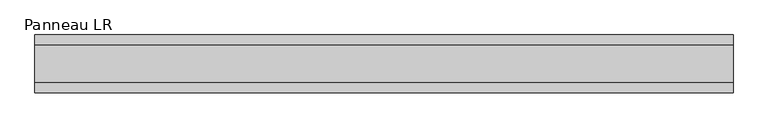
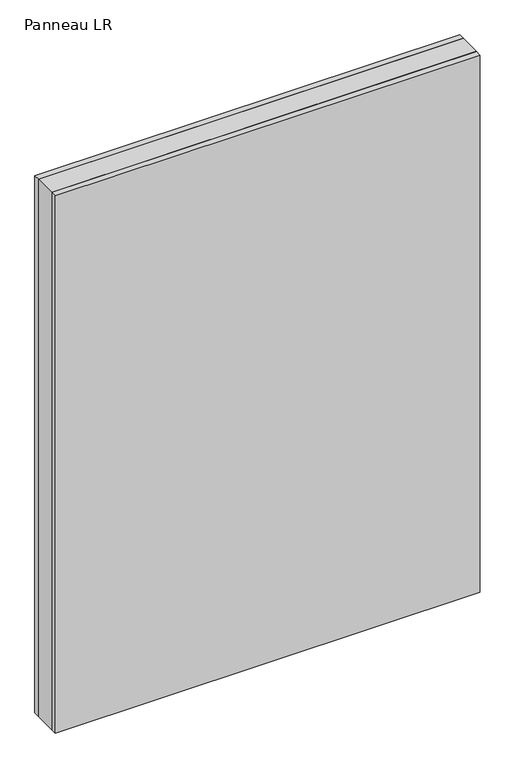
"""IFC4 building model written with IfcOpenShell, lengths in millimetres: plate geometry, Panneau LR."""

from ifc_helpers import new_model, si_unit, origin, origin_with_axes, place, context, project, spatial, polyline, outline, extrude, source, transform, mapped, element, save


def panneau_lr_f7401c16(model_context):
    return source(origin(), model_context, "Body", "SweptSolid", [
        extrude(outline(polyline([(544.1874999, 29.0), (544.1874999, -29.0), (-544.1874999, -29.0), (-544.1874999, 29.0), (544.1874999, 29.0)])), origin_with_axes(), (0.0, 0.0, 1.0), 1453.5),
        extrude(outline(polyline([(544.1874999, 45.0), (544.1874999, 29.0), (-544.1874999, 29.0), (-544.1874999, 45.0), (544.1874999, 45.0)])), origin_with_axes(), (0.0, 0.0, 1.0), 1453.5),
        extrude(outline(polyline([(-544.1874999, -45.0), (-544.1874999, -29.0), (544.1874999, -29.0), (544.1874999, -45.0), (-544.1874999, -45.0)])), origin_with_axes(), (0.0, 0.0, 1.0), 1453.5),
    ])


if __name__ == "__main__":
    model = new_model("IFC4")
    model_context = context("Model", 3, world=origin())
    ifc_project = project(units=[si_unit("LENGTHUNIT", "METRE", prefix="MILLI")], contexts=[model_context])
    site = spatial("IfcSite", under=ifc_project)
    building = spatial("IfcBuilding", under=site)
    placement = place(None, origin())
    panneau_lr_shape = panneau_lr_f7401c16(model_context)
    element("IfcPlate", 1, ObjectType="Panneau LR", at=placement, inside=building, context=model_context, shape_type="MappedRepresentation", body=[
        mapped(panneau_lr_shape, transform((0.0, 0.0, 0.0), x_axis=(1.0, 0.0, 0.0), y_axis=(0.0, 1.0, 0.0), z_axis=(0.0, 0.0, 1.0))),
    ])
    save(model, "model.ifc")
